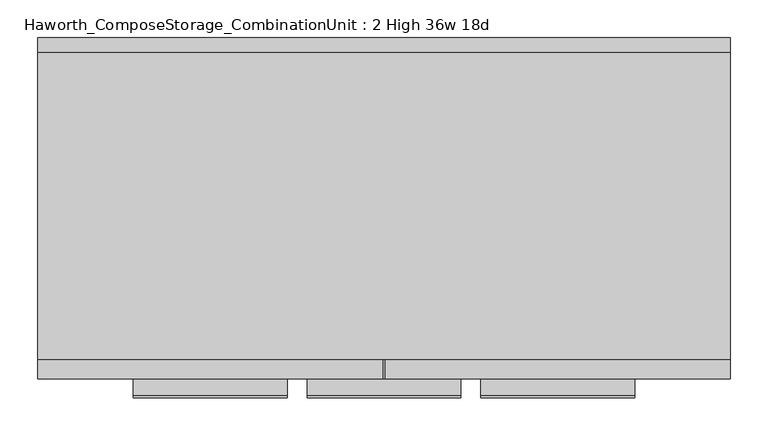
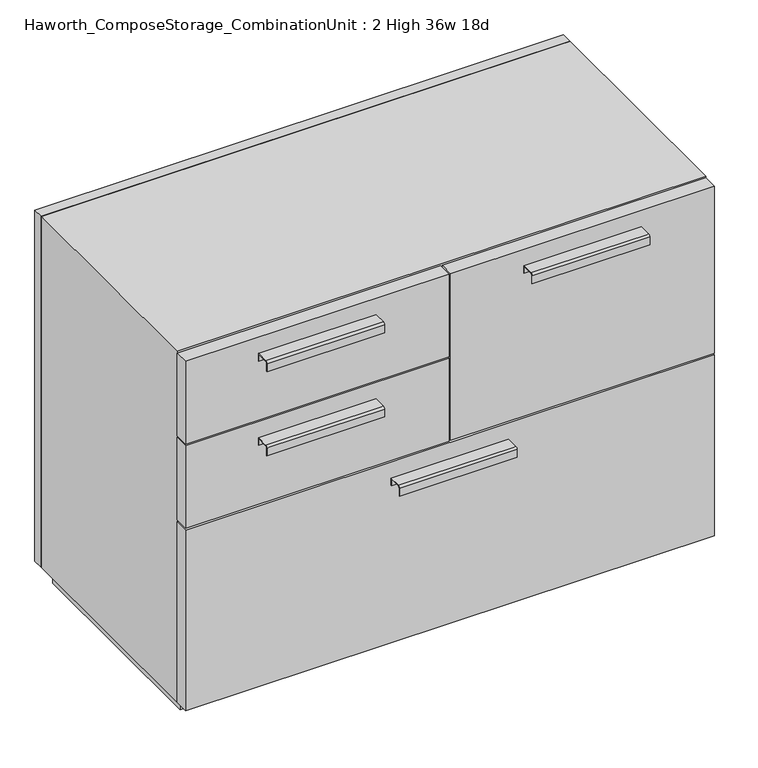
"""IFC4 building model written with IfcOpenShell, lengths in millimetres: furniture geometry, Haworth_ComposeStorage_CombinationUnit : 2 High 36w 18d."""

from ifc_helpers import new_model, si_unit, point, frame, frame_2d, origin, origin_with_axes, place, context, project, spatial, polyline, circle_curve, trimmed, segment, composite_curve, outline, extrude, source, transform, mapped, element, save


def haworth_composestorage_combinationunit_2_high_36w_18d_46c7be83(model_context):
    return source(origin(), model_context, "Body", "SweptSolid", [
        extrude(outline(composite_curve([segment(polyline([(-200.0250242, 633.9919215), (-177.8, 633.9919215), (-177.8, 620.5299525), (-178.5937742, 620.5299525), (-178.5937742, 633.1982199), (-200.0250242, 633.1982199)]), True, "CONTINUOUS"), segment(trimmed(circle_curve(frame_2d((-200.0250242, 630.8142808)), 2.3839392), [point((-200.0250242, 633.1982199))], [point((-202.4089634, 630.8142808))], True, "CARTESIAN"), True, "CONTINUOUS"), segment(polyline([(-202.4089634, 630.8142808), (-202.4089634, 616.2119021), (-203.1999758, 616.2119021), (-203.1999758, 630.8169699)]), True, "CONTINUOUS"), segment(trimmed(circle_curve(frame_2d((-200.0250242, 630.8169699)), 3.1749516), [point((-203.1999758, 630.8169699))], [point((-200.0250242, 633.9919215))], False, "CARTESIAN"), True, "CONTINUOUS")], self_intersect=False)), frame((-330.9798594, 0.0, 0.0), z_axis=(1.0, 0.0, 0.0), x_axis=(0.0, 1.0, 0.0)), (0.0, 0.0, 1.0), 203.2),
        extrude(outline(polyline([(-1.5736094, -152.4), (-1.5736094, -177.8), (-457.1861094, -177.8), (-457.1861094, -152.4), (-1.5736094, -152.4)])), frame((0.0, 0.0, 512.7625), z_axis=(0.0, 0.0, 1.0), x_axis=(1.0, 0.0, 0.0)), (0.0, 0.0, 1.0), 150.8125),
        extrude(outline(composite_curve([segment(polyline([(-200.0250242, 480.0044215), (-177.8, 480.0044215), (-177.8, 466.5424525), (-178.5937742, 466.5424525), (-178.5937742, 479.2107199), (-200.0250242, 479.2107199)]), True, "CONTINUOUS"), segment(trimmed(circle_curve(frame_2d((-200.0250242, 476.8267808)), 2.3839392), [point((-200.0250242, 479.2107199))], [point((-202.4089634, 476.8267808))], True, "CARTESIAN"), True, "CONTINUOUS"), segment(polyline([(-202.4089634, 476.8267808), (-202.4089634, 462.2244021), (-203.1999758, 462.2244021), (-203.1999758, 476.8294699)]), True, "CONTINUOUS"), segment(trimmed(circle_curve(frame_2d((-200.0250242, 476.8294699)), 3.1749516), [point((-203.1999758, 476.8294699))], [point((-200.0250242, 480.0044215))], False, "CARTESIAN"), True, "CONTINUOUS")], self_intersect=False)), frame((-330.9798594, 0.0, 0.0), z_axis=(1.0, 0.0, 0.0), x_axis=(0.0, 1.0, 0.0)), (0.0, 0.0, 1.0), 203.2),
        extrude(outline(polyline([(-1.5736094, -152.4), (-1.5736094, -177.8), (-457.1861094, -177.8), (-457.1861094, -152.4), (-1.5736094, -152.4)])), frame((0.0, 0.0, 358.775), z_axis=(0.0, 0.0, 1.0), x_axis=(1.0, 0.0, 0.0)), (0.0, 0.0, 1.0), 150.8125),
        extrude(outline(composite_curve([segment(polyline([(-200.0250242, 633.9919215), (-177.8, 633.9919215), (-177.8, 620.5299525), (-178.5937742, 620.5299525), (-178.5937742, 633.1982199), (-200.0250242, 633.1982199)]), True, "CONTINUOUS"), segment(trimmed(circle_curve(frame_2d((-200.0250242, 630.8142808)), 2.3839392), [point((-200.0250242, 633.1982199))], [point((-202.4089634, 630.8142808))], True, "CARTESIAN"), True, "CONTINUOUS"), segment(polyline([(-202.4089634, 630.8142808), (-202.4089634, 616.2119021), (-203.1999758, 616.2119021), (-203.1999758, 630.8169699)]), True, "CONTINUOUS"), segment(trimmed(circle_curve(frame_2d((-200.0250242, 630.8169699)), 3.1749516), [point((-203.1999758, 630.8169699))], [point((-200.0250242, 633.9919215))], False, "CARTESIAN"), True, "CONTINUOUS")], self_intersect=False)), frame((127.8076406, 0.0, 0.0), z_axis=(1.0, 0.0, 0.0), x_axis=(0.0, 1.0, 0.0)), (0.0, 0.0, 1.0), 203.2),
        extrude(outline(polyline([(457.2138906, -152.4), (457.2138906, -177.8), (1.6013906, -177.8), (1.6013906, -152.4), (457.2138906, -152.4)])), frame((0.0, 0.0, 358.775), z_axis=(0.0, 0.0, 1.0), x_axis=(1.0, 0.0, 0.0)), (0.0, 0.0, 1.0), 304.8),
        extrude(outline(composite_curve([segment(polyline([(-200.0250242, 326.0169215), (-177.8, 326.0169215), (-177.8, 312.5549525), (-178.5937742, 312.5549525), (-178.5937742, 325.2232199), (-200.0250242, 325.2232199)]), True, "CONTINUOUS"), segment(trimmed(circle_curve(frame_2d((-200.0250242, 322.8392808)), 2.3839392), [point((-200.0250242, 325.2232199))], [point((-202.4089634, 322.8392808))], True, "CARTESIAN"), True, "CONTINUOUS"), segment(polyline([(-202.4089634, 322.8392808), (-202.4089634, 308.2369021), (-203.1999758, 308.2369021), (-203.1999758, 322.8419699)]), True, "CONTINUOUS"), segment(trimmed(circle_curve(frame_2d((-200.0250242, 322.8419699)), 3.1749516), [point((-203.1999758, 322.8419699))], [point((-200.0250242, 326.0169215))], False, "CARTESIAN"), True, "CONTINUOUS")], self_intersect=False)), frame((-101.5861094, 0.0, 0.0), z_axis=(1.0, 0.0, 0.0), x_axis=(0.0, 1.0, 0.0)), (0.0, 0.0, 1.0), 203.2),
        extrude(outline(polyline([(457.2138906, -152.4), (457.2138906, -177.8), (-457.1861094, -177.8), (-457.1861094, -152.4), (457.2138906, -152.4)])), frame((0.0, 0.0, 25.4), z_axis=(0.0, 0.0, 1.0), x_axis=(1.0, 0.0, 0.0)), (0.0, 0.0, 1.0), 330.2),
        extrude(outline(polyline([(457.2138906, 254.0), (-457.1861094, 254.0), (-457.1861094, 273.05), (457.2138906, 273.05), (457.2138906, 254.0)])), frame((0.0, 0.0, 25.4), z_axis=(0.0, 0.0, 1.0), x_axis=(1.0, 0.0, 0.0)), (0.0, 0.0, 1.0), 641.35),
        extrude(outline(polyline([(25.4, -457.1861094), (25.4, 457.2138906), (666.75, 457.2138906), (666.75, -457.1861094), (25.4, -457.1861094)]), holes=[polyline([(44.45, -438.1361094), (647.7, -438.1361094), (647.7, 438.1569453), (44.45, 438.1569453), (44.45, -438.1361094)])]), frame((0.0, -152.4, 0.0), z_axis=(0.0, 1.0, 0.0), x_axis=(0.0, 0.0, 1.0)), (0.0, 0.0, 1.0), 406.4),
        extrude(outline(polyline([(-438.1291641, 219.075), (-438.1291641, 228.6), (438.1569453, 228.6), (438.1569453, 219.075), (-438.1291641, 219.075)])), frame((0.0, 0.0, 44.45), z_axis=(0.0, 0.0, 1.0), x_axis=(1.0, 0.0, 0.0)), (0.0, 0.0, 1.0), 603.25),
        extrude(outline(polyline([(444.5138906, -139.7), (-444.4861094, -139.7), (-444.4861094, 241.3), (444.5138906, 241.3), (444.5138906, -139.7)])), origin_with_axes(), (0.0, 0.0, 1.0), 25.4),
    ])


if __name__ == "__main__":
    model = new_model("IFC4")
    model_context = context("Model", 3, world=origin())
    ifc_project = project(units=[si_unit("LENGTHUNIT", "METRE", prefix="MILLI")], contexts=[model_context])
    site = spatial("IfcSite", under=ifc_project)
    building = spatial("IfcBuilding", under=site)
    placement = place(None, origin())
    haworth_composestorage_combinationunit_2_high_36w_18d_shape = haworth_composestorage_combinationunit_2_high_36w_18d_46c7be83(model_context)
    element("IfcFurniture", 1, ObjectType="Haworth_ComposeStorage_CombinationUnit : 2 High 36w 18d", at=placement, inside=building, context=model_context, shape_type="MappedRepresentation", body=[
        mapped(haworth_composestorage_combinationunit_2_high_36w_18d_shape, transform((0.0, 0.0, 0.0), x_axis=(1.0, 0.0, 0.0), y_axis=(0.0, 1.0, 0.0), z_axis=(0.0, 0.0, 1.0))),
    ])
    save(model, "model.ifc")
